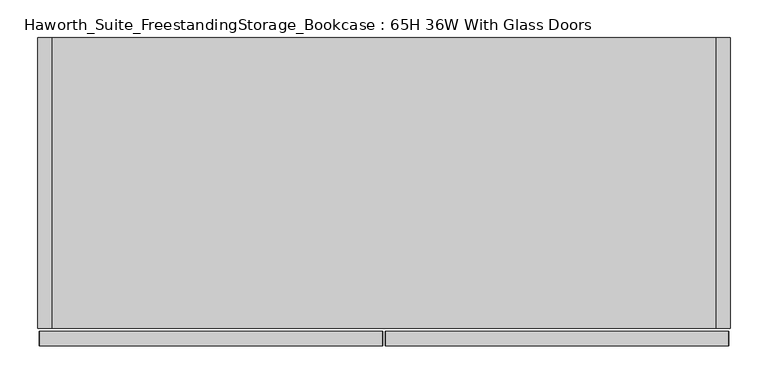
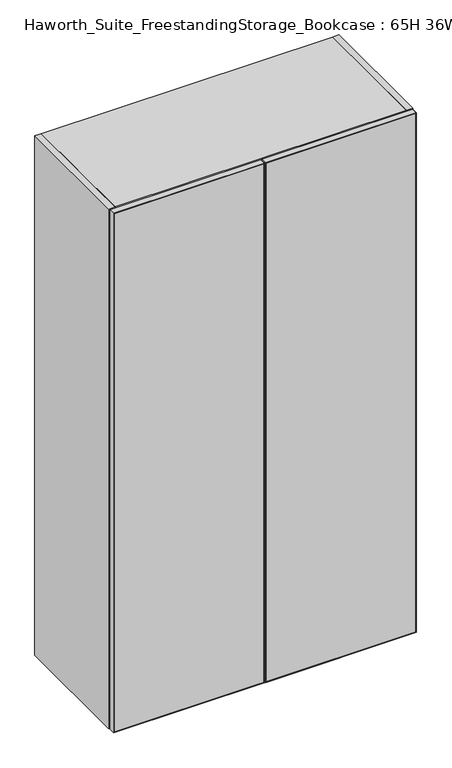
"""IFC4 building model written with IfcOpenShell, lengths in millimetres: furniture geometry, Haworth_Suite_FreestandingStorage_Bookcase : 65H 36W With Glass Doors."""

from ifc_helpers import new_model, si_unit, frame, origin, origin_with_axes, place, context, project, spatial, polyline, outline, extrude, source, transform, mapped, element, save


def haworth_suite_freestandingstorage_bookcase_65h_36w_with_c3b6ccae(model_context):
    return source(origin(), model_context, "Body", "SweptSolid", [
        extrude(outline(polyline([(1651.0, -14.2875), (1649.4125, -15.875), (1.5875, -15.875), (0.0, -14.2875), (1651.0, -14.2875)])), frame((0.0, -419.89375, 0.0), z_axis=(0.0, 1.0, 0.0), x_axis=(0.0, 0.0, 1.0)), (0.0, 0.0, 1.0), 19.05),
        extrude(outline(polyline([(1651.0, -468.3125), (0.0, -468.3125), (1.5875, -466.725), (1649.4125, -466.725), (1651.0, -468.3125)])), frame((0.0, -419.89375, 0.0), z_axis=(0.0, 1.0, 0.0), x_axis=(0.0, 0.0, 1.0)), (0.0, 0.0, 1.0), 19.05),
        extrude(outline(polyline([(1649.4125, -15.875), (1651.0, -14.2875), (1651.0, -468.3125), (1649.4125, -466.725), (1649.4125, -15.875)])), frame((0.0, -419.89375, 0.0), z_axis=(0.0, 1.0, 0.0), x_axis=(0.0, 0.0, 1.0)), (0.0, 0.0, 1.0), 19.05),
        extrude(outline(polyline([(1.5875, -15.875), (1.5875, -466.725), (0.0, -468.3125), (0.0, -14.2875), (1.5875, -15.875)])), frame((0.0, -419.89375, 0.0), z_axis=(0.0, 1.0, 0.0), x_axis=(0.0, 0.0, 1.0)), (0.0, 0.0, 1.0), 19.05),
        extrude(outline(polyline([(-466.725, -401.6375), (-15.875, -401.6375), (-15.875, -419.1), (-466.725, -419.1), (-466.725, -401.6375)])), frame((0.0, 0.0, 1.5875), z_axis=(0.0, 0.0, 1.0), x_axis=(1.0, 0.0, 0.0)), (0.0, 0.0, 1.0), 1647.825),
        extrude(outline(polyline([(1651.0, -11.1125), (0.0, -11.1125), (1.5875, -9.525), (1649.4125, -9.525), (1651.0, -11.1125)])), frame((0.0, -419.89375, 0.0), z_axis=(0.0, 1.0, 0.0), x_axis=(0.0, 0.0, 1.0)), (0.0, 0.0, 1.0), 19.05),
        extrude(outline(polyline([(1651.0, 442.9125), (1649.4125, 441.325), (1.5875, 441.325), (0.0, 442.9125), (1651.0, 442.9125)])), frame((0.0, -419.89375, 0.0), z_axis=(0.0, 1.0, 0.0), x_axis=(0.0, 0.0, 1.0)), (0.0, 0.0, 1.0), 19.05),
        extrude(outline(polyline([(1649.4125, -9.525), (1649.4125, 441.325), (1651.0, 442.9125), (1651.0, -11.1125), (1649.4125, -9.525)])), frame((0.0, -419.89375, 0.0), z_axis=(0.0, 1.0, 0.0), x_axis=(0.0, 0.0, 1.0)), (0.0, 0.0, 1.0), 19.05),
        extrude(outline(polyline([(1.5875, -9.525), (0.0, -11.1125), (0.0, 442.9125), (1.5875, 441.325), (1.5875, -9.525)])), frame((0.0, -419.89375, 0.0), z_axis=(0.0, 1.0, 0.0), x_axis=(0.0, 0.0, 1.0)), (0.0, 0.0, 1.0), 19.05),
        extrude(outline(polyline([(441.325, -401.6375), (441.325, -419.1), (-9.525, -419.1), (-9.525, -401.6375), (441.325, -401.6375)])), frame((0.0, 0.0, 1.5875), z_axis=(0.0, 0.0, 1.0), x_axis=(1.0, 0.0, 0.0)), (0.0, 0.0, 1.0), 1647.825),
        extrude(outline(polyline([(425.45, -31.75), (425.45, -377.825), (-450.85, -377.825), (-450.85, -31.75), (425.45, -31.75)])), frame((0.0, 0.0, 431.8), z_axis=(0.0, 0.0, 1.0), x_axis=(1.0, 0.0, 0.0)), (0.0, 0.0, 1.0), 19.05),
        extrude(outline(polyline([(425.45, -31.75), (425.45, -377.825), (-450.85, -377.825), (-450.85, -31.75), (425.45, -31.75)])), frame((0.0, 0.0, 831.85), z_axis=(0.0, 0.0, 1.0), x_axis=(1.0, 0.0, 0.0)), (0.0, 0.0, 1.0), 19.05),
        extrude(outline(polyline([(425.45, -31.75), (425.45, -377.825), (-450.85, -377.825), (-450.85, -31.75), (425.45, -31.75)])), frame((0.0, 0.0, 1231.9), z_axis=(0.0, 0.0, 1.0), x_axis=(1.0, 0.0, 0.0)), (0.0, 0.0, 1.0), 19.05),
        extrude(outline(polyline([(425.45, -12.7), (425.45, -396.875), (-450.85, -396.875), (-450.85, -12.7), (425.45, -12.7)])), frame((0.0, 0.0, 1631.95), z_axis=(0.0, 0.0, 1.0), x_axis=(1.0, 0.0, 0.0)), (0.0, 0.0, 1.0), 19.05),
        extrude(outline(polyline([(425.45, -12.7), (425.45, -31.75), (-450.85, -31.75), (-450.85, -12.7), (425.45, -12.7)])), origin_with_axes(), (0.0, 0.0, 1.0), 1631.95),
        extrude(outline(polyline([(425.45, -31.75), (425.45, -396.875), (-450.85, -396.875), (-450.85, -31.75), (425.45, -31.75)])), origin_with_axes(), (0.0, 0.0, 1.0), 38.1),
        extrude(outline(polyline([(-450.85, -12.7), (-450.85, -396.875), (-469.9, -396.875), (-469.9, -12.7), (-450.85, -12.7)])), origin_with_axes(), (0.0, 0.0, 1.0), 1651.0),
        extrude(outline(polyline([(444.5, -396.875), (425.45, -396.875), (425.45, -12.7), (444.5, -12.7), (444.5, -396.875)])), origin_with_axes(), (0.0, 0.0, 1.0), 1651.0),
    ])


if __name__ == "__main__":
    model = new_model("IFC4")
    model_context = context("Model", 3, world=origin())
    ifc_project = project(units=[si_unit("LENGTHUNIT", "METRE", prefix="MILLI")], contexts=[model_context])
    site = spatial("IfcSite", under=ifc_project)
    building = spatial("IfcBuilding", under=site)
    placement = place(None, origin())
    haworth_suite_freestandingstorage_bookcase_65h_36w_with_shape = haworth_suite_freestandingstorage_bookcase_65h_36w_with_c3b6ccae(model_context)
    element("IfcFurniture", 1, ObjectType="Haworth_Suite_FreestandingStorage_Bookcase : 65H 36W With Glass Doors", at=placement, inside=building, context=model_context, shape_type="MappedRepresentation", body=[
        mapped(haworth_suite_freestandingstorage_bookcase_65h_36w_with_shape, transform((0.0, 0.0, 0.0), x_axis=(1.0, 0.0, 0.0), y_axis=(0.0, 1.0, 0.0), z_axis=(0.0, 0.0, 1.0))),
    ])
    save(model, "model.ifc")
